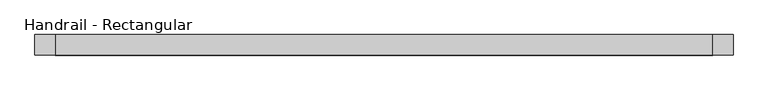
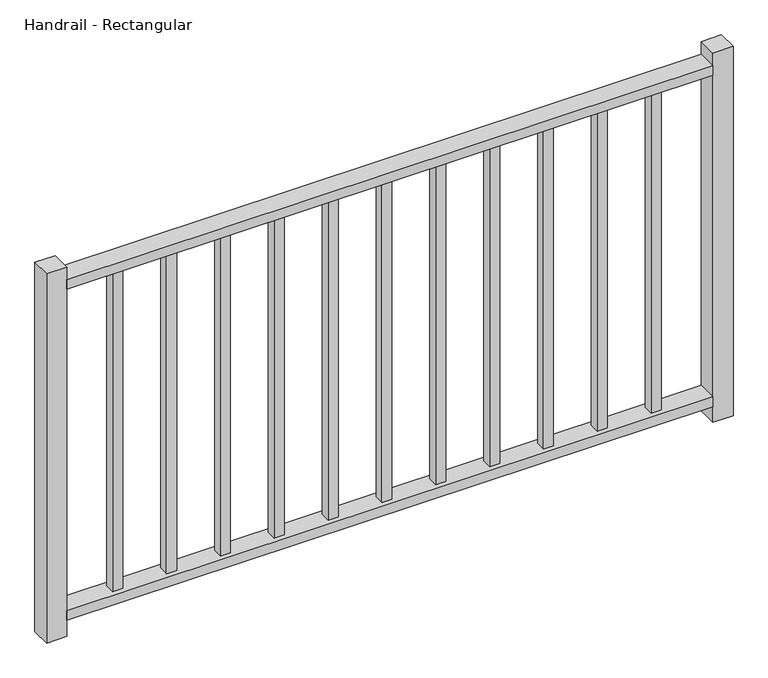
"""IFC4 building model written with IfcOpenShell, lengths in millimetres: railing geometry, Handrail - Rectangular."""

from ifc_helpers import new_model, si_unit, frame, origin, place, context, project, spatial, polyline, outline, extrude, source, transform, mapped, element, save


def handrail_rectangular_782242f2(model_context):
    return source(origin(), model_context, "Body", "SweptSolid", [
        extrude(outline(polyline([(-15427.7221326, 10826.4022342), (-15427.7221326, 10864.5022342), (-14208.5221326, 10864.5022342), (-14208.5221326, 10826.4022342), (-15427.7221326, 10826.4022342)])), frame((0.0, 0.0, 82.55), z_axis=(0.0, 0.0, 1.0), x_axis=(1.0, 0.0, 0.0)), (0.0, 0.0, 1.0), 19.05),
        extrude(outline(polyline([(-15427.7221326, 10826.4022342), (-15427.7221326, 10864.5022342), (-14208.5221326, 10864.5022342), (-14208.5221326, 10826.4022342), (-15427.7221326, 10826.4022342)])), frame((0.0, 0.0, 742.95), z_axis=(0.0, 0.0, 1.0), x_axis=(1.0, 0.0, 0.0)), (0.0, 0.0, 1.0), 19.05),
        extrude(outline(polyline([(-14319.6471326, 10835.9272342), (-14319.6471326, 10854.9772342), (-14300.5971326, 10854.9772342), (-14300.5971326, 10835.9272342), (-14319.6471326, 10835.9272342)])), frame((0.0, 0.0, 101.6), z_axis=(0.0, 0.0, 1.0), x_axis=(1.0, 0.0, 0.0)), (0.0, 0.0, 1.0), 641.35),
        extrude(outline(polyline([(-14421.2471326, 10835.9272342), (-14421.2471326, 10854.9772342), (-14402.1971326, 10854.9772342), (-14402.1971326, 10835.9272342), (-14421.2471326, 10835.9272342)])), frame((0.0, 0.0, 101.6), z_axis=(0.0, 0.0, 1.0), x_axis=(1.0, 0.0, 0.0)), (0.0, 0.0, 1.0), 641.35),
        extrude(outline(polyline([(-14522.8471326, 10835.9272342), (-14522.8471326, 10854.9772342), (-14503.7971326, 10854.9772342), (-14503.7971326, 10835.9272342), (-14522.8471326, 10835.9272342)])), frame((0.0, 0.0, 101.6), z_axis=(0.0, 0.0, 1.0), x_axis=(1.0, 0.0, 0.0)), (0.0, 0.0, 1.0), 641.35),
        extrude(outline(polyline([(-14624.4471326, 10835.9272342), (-14624.4471326, 10854.9772342), (-14605.3971326, 10854.9772342), (-14605.3971326, 10835.9272342), (-14624.4471326, 10835.9272342)])), frame((0.0, 0.0, 101.6), z_axis=(0.0, 0.0, 1.0), x_axis=(1.0, 0.0, 0.0)), (0.0, 0.0, 1.0), 641.35),
        extrude(outline(polyline([(-14726.0471326, 10835.9272342), (-14726.0471326, 10854.9772342), (-14706.9971326, 10854.9772342), (-14706.9971326, 10835.9272342), (-14726.0471326, 10835.9272342)])), frame((0.0, 0.0, 101.6), z_axis=(0.0, 0.0, 1.0), x_axis=(1.0, 0.0, 0.0)), (0.0, 0.0, 1.0), 641.35),
        extrude(outline(polyline([(-14827.6471326, 10835.9272342), (-14827.6471326, 10854.9772342), (-14808.5971326, 10854.9772342), (-14808.5971326, 10835.9272342), (-14827.6471326, 10835.9272342)])), frame((0.0, 0.0, 101.6), z_axis=(0.0, 0.0, 1.0), x_axis=(1.0, 0.0, 0.0)), (0.0, 0.0, 1.0), 641.35),
        extrude(outline(polyline([(-14929.2471326, 10835.9272342), (-14929.2471326, 10854.9772342), (-14910.1971326, 10854.9772342), (-14910.1971326, 10835.9272342), (-14929.2471326, 10835.9272342)])), frame((0.0, 0.0, 101.6), z_axis=(0.0, 0.0, 1.0), x_axis=(1.0, 0.0, 0.0)), (0.0, 0.0, 1.0), 641.35),
        extrude(outline(polyline([(-15030.8471326, 10835.9272342), (-15030.8471326, 10854.9772342), (-15011.7971326, 10854.9772342), (-15011.7971326, 10835.9272342), (-15030.8471326, 10835.9272342)])), frame((0.0, 0.0, 101.6), z_axis=(0.0, 0.0, 1.0), x_axis=(1.0, 0.0, 0.0)), (0.0, 0.0, 1.0), 641.35),
        extrude(outline(polyline([(-15132.4471326, 10835.9272342), (-15132.4471326, 10854.9772342), (-15113.3971326, 10854.9772342), (-15113.3971326, 10835.9272342), (-15132.4471326, 10835.9272342)])), frame((0.0, 0.0, 101.6), z_axis=(0.0, 0.0, 1.0), x_axis=(1.0, 0.0, 0.0)), (0.0, 0.0, 1.0), 641.35),
        extrude(outline(polyline([(-15234.0471326, 10835.9272342), (-15234.0471326, 10854.9772342), (-15214.9971326, 10854.9772342), (-15214.9971326, 10835.9272342), (-15234.0471326, 10835.9272342)])), frame((0.0, 0.0, 101.6), z_axis=(0.0, 0.0, 1.0), x_axis=(1.0, 0.0, 0.0)), (0.0, 0.0, 1.0), 641.35),
        extrude(outline(polyline([(-15335.6471326, 10835.9272342), (-15335.6471326, 10854.9772342), (-15316.5971326, 10854.9772342), (-15316.5971326, 10835.9272342), (-15335.6471326, 10835.9272342)])), frame((0.0, 0.0, 101.6), z_axis=(0.0, 0.0, 1.0), x_axis=(1.0, 0.0, 0.0)), (0.0, 0.0, 1.0), 641.35),
        extrude(outline(polyline([(-14208.5221326, 10826.4022342), (-14208.5221326, 10864.5022342), (-14170.4221326, 10864.5022342), (-14170.4221326, 10826.4022342), (-14208.5221326, 10826.4022342)])), frame((0.0, 0.0, 50.8), z_axis=(0.0, 0.0, 1.0), x_axis=(1.0, 0.0, 0.0)), (0.0, 0.0, 1.0), 736.6),
        extrude(outline(polyline([(-15465.8221326, 10826.4022342), (-15465.8221326, 10864.5022342), (-15427.7221326, 10864.5022342), (-15427.7221326, 10826.4022342), (-15465.8221326, 10826.4022342)])), frame((0.0, 0.0, 50.8), z_axis=(0.0, 0.0, 1.0), x_axis=(1.0, 0.0, 0.0)), (0.0, 0.0, 1.0), 736.6),
    ])


if __name__ == "__main__":
    model = new_model("IFC4")
    model_context = context("Model", 3, world=origin())
    ifc_project = project(units=[si_unit("LENGTHUNIT", "METRE", prefix="MILLI")], contexts=[model_context])
    site = spatial("IfcSite", under=ifc_project)
    building = spatial("IfcBuilding", under=site)
    placement = place(None, origin())
    handrail_rectangular_shape = handrail_rectangular_782242f2(model_context)
    element("IfcRailing", 1, ObjectType="Handrail - Rectangular", at=placement, inside=building, context=model_context, shape_type="MappedRepresentation", body=[
        mapped(handrail_rectangular_shape, transform((0.0, 0.0, 0.0), x_axis=(1.0, 0.0, 0.0), y_axis=(0.0, 1.0, 0.0), z_axis=(0.0, 0.0, 1.0))),
    ])
    save(model, "model.ifc")
